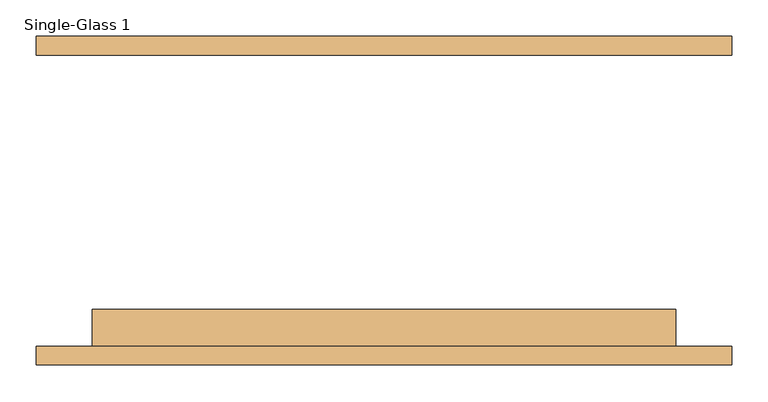
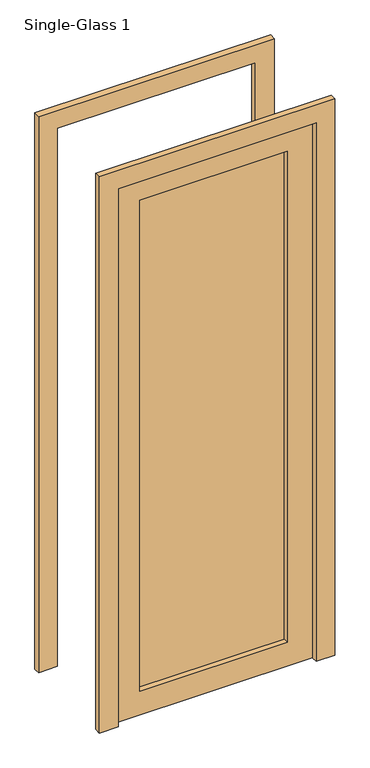
"""IFC4 building model written with IfcOpenShell, lengths in millimetres: door geometry, Single-Glass 1."""

from ifc_helpers import new_model, si_unit, frame, origin, place, context, project, spatial, polyline, outline, extrude, source, transform, mapped, element, save


def single_glass_1_c95ba304(model_context):
    return source(origin(), model_context, "Body", "SweptSolid", [
        extrude(outline(polyline([(2300.0, 400.0), (0.0, 400.0), (0.0, 476.2), (2376.2, 476.2), (2376.2, -476.2), (0.0, -476.2), (0.0, -400.0), (2300.0, -400.0), (2300.0, 400.0)])), frame((0.0, 200.0, 0.0), z_axis=(0.0, 1.0, 0.0), x_axis=(0.0, 0.0, 1.0)), (0.0, 0.0, 1.0), 25.4),
        extrude(outline(polyline([(2300.0, 400.0), (0.0, 400.0), (0.0, 476.2), (2376.2, 476.2), (2376.2, -476.2), (0.0, -476.2), (0.0, -400.0), (2300.0, -400.0), (2300.0, 400.0)])), frame((0.0, -225.4, 0.0), z_axis=(0.0, 1.0, 0.0), x_axis=(0.0, 0.0, 1.0)), (0.0, 0.0, 1.0), 25.4),
        extrude(outline(polyline([(298.4, -171.425), (298.4, -177.775), (-298.4, -177.775), (-298.4, -171.425), (298.4, -171.425)])), frame((0.0, 0.0, 101.6), z_axis=(0.0, 0.0, 1.0), x_axis=(1.0, 0.0, 0.0)), (0.0, 0.0, 1.0), 2096.8),
        extrude(outline(polyline([(2300.0, 400.0), (2300.0, -400.0), (0.0, -400.0), (0.0, 400.0), (2300.0, 400.0)]), holes=[polyline([(2198.4, -298.4), (2198.4, 298.4), (101.6, 298.4), (101.6, -298.4), (2198.4, -298.4)])]), frame((0.0, -200.0, 0.0), z_axis=(0.0, 1.0, 0.0), x_axis=(0.0, 0.0, 1.0)), (0.0, 0.0, 1.0), 50.8),
    ])


if __name__ == "__main__":
    model = new_model("IFC4")
    model_context = context("Model", 3, world=origin())
    ifc_project = project(units=[si_unit("LENGTHUNIT", "METRE", prefix="MILLI")], contexts=[model_context])
    site = spatial("IfcSite", under=ifc_project)
    building = spatial("IfcBuilding", under=site)
    placement = place(None, origin())
    single_glass_1_shape = single_glass_1_c95ba304(model_context)
    element("IfcDoor", 1, ObjectType="Single-Glass 1", at=placement, inside=building, context=model_context, shape_type="MappedRepresentation", body=[
        mapped(single_glass_1_shape, transform((0.0, 0.0, 0.0), x_axis=(1.0, 0.0, 0.0), y_axis=(0.0, 1.0, 0.0), z_axis=(0.0, 0.0, 1.0))),
    ])
    save(model, "model.ifc")
